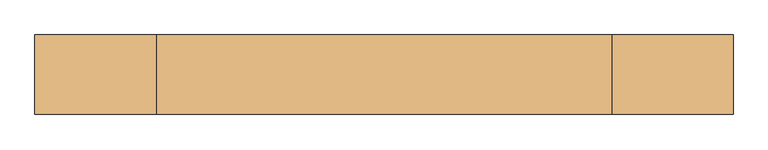
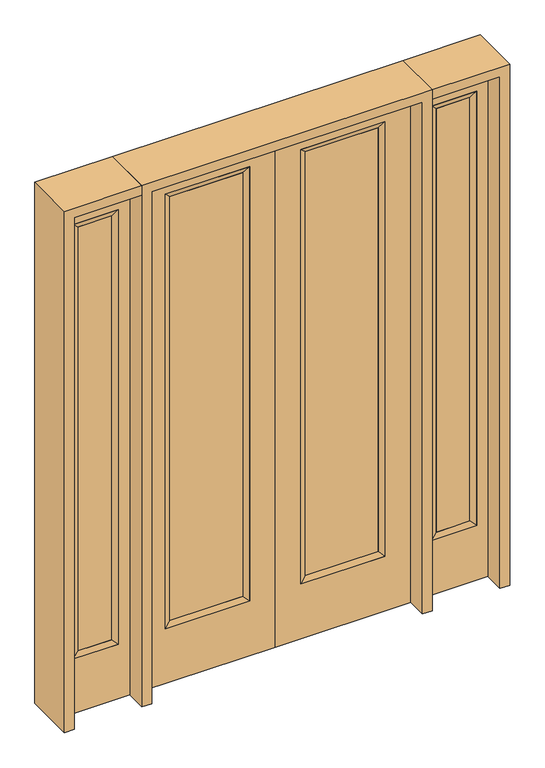
"""IFC4 building model written with IfcOpenShell, lengths in millimetres: door geometry."""

from ifc_helpers import new_model, si_unit, frame, origin, place, context, project, spatial, polyline, outline, extrude, faceted_brep, source, transform, mapped, element, save


def door_f72690af(model_context):
    return source(origin(), model_context, "Body", "SolidModel", [
        extrude(outline(polyline([(140.8176, -12.7039749), (140.8176, 14.2875), (468.7824, 14.2875), (468.7824, -12.7039749), (140.8176, -12.7039749)])), frame((0.0, 0.0, 285.75), z_axis=(0.0, 0.0, 1.0), x_axis=(1.0, 0.0, 0.0)), (0.0, 0.0, 1.0), 2019.3),
        faceted_brep([(140.8176, 14.2875, 2305.05), (140.8176, 14.2875, 285.75), (115.4176, 22.225, 260.35), (115.4176, 22.225, 2330.45), (115.4176, -22.225, 260.35), (115.4176, -22.225, 2330.45), (468.7824, 14.2875, 285.75), (494.1824, 22.225, 260.35), (140.8176, -12.7039749, 2305.05), (140.8176, -12.7039749, 285.75), (468.7824, -12.7039749, 285.75), (494.1824, -22.225, 260.35), (468.7824, 14.2875, 2305.05), (494.1824, 22.225, 2330.45), (468.7824, -12.7039749, 2305.05), (494.1824, -22.225, 2330.45)], [[[0, 1, 2, 3]], [[3, 2, 4, 5]], [[1, 6, 7, 2]], [[8, 9, 1, 0]], [[9, 10, 6, 1]], [[5, 4, 9, 8]], [[4, 11, 10, 9]], [[2, 7, 11, 4]], [[6, 12, 13, 7]], [[10, 14, 12, 6]], [[11, 15, 14, 10]], [[7, 13, 15, 11]], [[12, 0, 3, 13]], [[14, 8, 0, 12]], [[15, 5, 8, 14]], [[13, 3, 5, 15]]]),
        extrude(outline(polyline([(0.0, 609.6), (2438.4, 609.6), (2438.4, 0.0), (0.0, 0.0), (0.0, 609.6)]), holes=[polyline([(260.35, 494.1824), (260.35, 115.4176), (2330.45, 115.4176), (2330.45, 494.1824), (260.35, 494.1824)])]), frame((0.0, -22.225, 0.0), z_axis=(0.0, 1.0, 0.0), x_axis=(0.0, 0.0, 1.0)), (0.0, 0.0, 1.0), 44.45),
        extrude(outline(polyline([(-140.8176, -12.7039749), (-468.7824, -12.7039749), (-468.7824, 14.2875), (-140.8176, 14.2875), (-140.8176, -12.7039749)])), frame((0.0, 0.0, 285.75), z_axis=(0.0, 0.0, 1.0), x_axis=(1.0, 0.0, 0.0)), (0.0, 0.0, 1.0), 2019.3),
        faceted_brep([(-140.8176, 14.2875, 2305.05), (-115.4176, 22.225, 2330.45), (-115.4176, 22.225, 260.35), (-140.8176, 14.2875, 285.75), (-115.4176, -22.225, 2330.45), (-115.4176, -22.225, 260.35), (-494.1824, 22.225, 260.35), (-468.7824, 14.2875, 285.75), (-140.8176, -12.7039749, 2305.05), (-140.8176, -12.7039749, 285.75), (-468.7824, -12.7039749, 285.75), (-494.1824, -22.225, 260.35), (-494.1824, 22.225, 2330.45), (-468.7824, 14.2875, 2305.05), (-468.7824, -12.7039749, 2305.05), (-494.1824, -22.225, 2330.45)], [[[0, 1, 2, 3]], [[1, 4, 5, 2]], [[3, 2, 6, 7]], [[8, 0, 3, 9]], [[9, 3, 7, 10]], [[4, 8, 9, 5]], [[5, 9, 10, 11]], [[2, 5, 11, 6]], [[7, 6, 12, 13]], [[10, 7, 13, 14]], [[11, 10, 14, 15]], [[6, 11, 15, 12]], [[13, 12, 1, 0]], [[14, 13, 0, 8]], [[15, 14, 8, 4]], [[12, 15, 4, 1]]]),
        extrude(outline(polyline([(0.0, -609.6), (0.0, 0.0), (2438.4, 0.0), (2438.4, -609.6), (0.0, -609.6)]), holes=[polyline([(260.35, -494.1824), (2330.45, -494.1824), (2330.45, -115.4176), (260.35, -115.4176), (260.35, -494.1824)])]), frame((0.0, -22.225, 0.0), z_axis=(0.0, 1.0, 0.0), x_axis=(0.0, 0.0, 1.0)), (0.0, 0.0, 1.0), 44.45),
        faceted_brep([(704.85, 20.6375, 2330.45), (704.85, 20.6375, 260.35), (704.85, -20.6375, 260.35), (704.85, -20.6375, 2330.45), (730.25, -12.7, 285.75), (730.25, -12.7, 2305.05), (908.05, 20.6375, 260.35), (908.05, -20.6375, 260.35), (730.25, 12.7, 2305.05), (730.25, 12.7, 285.75), (882.65, 12.7, 285.75), (882.65, -12.7, 285.75), (908.05, 20.6375, 2330.45), (908.05, -20.6375, 2330.45), (882.65, 12.7, 2305.05), (882.65, -12.7, 2305.05)], [[[0, 1, 2, 3]], [[3, 2, 4, 5]], [[1, 6, 7, 2]], [[8, 9, 1, 0]], [[9, 10, 6, 1]], [[5, 4, 9, 8]], [[4, 11, 10, 9]], [[2, 7, 11, 4]], [[6, 12, 13, 7]], [[10, 14, 12, 6]], [[11, 15, 14, 10]], [[7, 13, 15, 11]], [[12, 0, 3, 13]], [[14, 8, 0, 12]], [[15, 5, 8, 14]], [[13, 3, 5, 15]]]),
        extrude(outline(polyline([(0.0, 958.85), (2438.4, 958.85), (2438.4, 654.05), (0.0, 654.05), (0.0, 958.85)]), holes=[polyline([(2330.45, 704.85), (2330.45, 908.05), (260.35, 908.05), (260.35, 704.85), (2330.45, 704.85)])]), frame((0.0, -20.6375, 0.0), z_axis=(0.0, 1.0, 0.0), x_axis=(0.0, 0.0, 1.0)), (0.0, 0.0, 1.0), 41.275),
        extrude(outline(polyline([(730.25, -12.7), (730.25, 12.7), (882.65, 12.7), (882.65, -12.7), (730.25, -12.7)])), frame((0.0, 0.0, 285.75), z_axis=(0.0, 0.0, 1.0), x_axis=(1.0, 0.0, 0.0)), (0.0, 0.0, 1.0), 2019.3),
        faceted_brep([(-704.85, 20.6375, 2330.45), (-704.85, -20.6375, 2330.45), (-704.85, -20.6375, 260.35), (-704.85, 20.6375, 260.35), (-730.25, -12.7, 2305.05), (-730.25, -12.7, 285.75), (-908.05, -20.6375, 260.35), (-908.05, 20.6375, 260.35), (-730.25, 12.7, 2305.05), (-730.25, 12.7, 285.75), (-882.65, 12.7, 285.75), (-882.65, -12.7, 285.75), (-908.05, -20.6375, 2330.45), (-908.05, 20.6375, 2330.45), (-882.65, 12.7, 2305.05), (-882.65, -12.7, 2305.05)], [[[0, 1, 2, 3]], [[1, 4, 5, 2]], [[3, 2, 6, 7]], [[8, 0, 3, 9]], [[9, 3, 7, 10]], [[4, 8, 9, 5]], [[5, 9, 10, 11]], [[2, 5, 11, 6]], [[7, 6, 12, 13]], [[10, 7, 13, 14]], [[11, 10, 14, 15]], [[6, 11, 15, 12]], [[13, 12, 1, 0]], [[14, 13, 0, 8]], [[15, 14, 8, 4]], [[12, 15, 4, 1]]]),
        extrude(outline(polyline([(0.0, -958.85), (0.0, -654.05), (2438.4, -654.05), (2438.4, -958.85), (0.0, -958.85)]), holes=[polyline([(2330.45, -704.85), (260.35, -704.85), (260.35, -908.05), (2330.45, -908.05), (2330.45, -704.85)])]), frame((0.0, -20.6375, 0.0), z_axis=(0.0, 1.0, 0.0), x_axis=(0.0, 0.0, 1.0)), (0.0, 0.0, 1.0), 41.275),
        extrude(outline(polyline([(-730.25, -12.7), (-882.65, -12.7), (-882.65, 12.7), (-730.25, 12.7), (-730.25, -12.7)])), frame((0.0, 0.0, 285.75), z_axis=(0.0, 0.0, 1.0), x_axis=(1.0, 0.0, 0.0)), (0.0, 0.0, 1.0), 2019.3),
        extrude(outline(polyline([(2438.4, -654.05), (2482.85, -654.05), (2482.85, -1003.3), (0.0, -1003.3), (0.0, -958.85), (2438.4, -958.85), (2438.4, -654.05)])), frame((0.0, -114.3, 0.0), z_axis=(0.0, 1.0, 0.0), x_axis=(0.0, 0.0, 1.0)), (0.0, 0.0, 1.0), 228.6),
        extrude(outline(polyline([(2482.85, -654.05), (0.0, -654.05), (0.0, -609.6), (2438.4, -609.6), (2438.4, 609.6), (0.0, 609.6), (0.0, 654.05), (2482.85, 654.05), (2482.85, -654.05)])), frame((0.0, -114.3, 0.0), z_axis=(0.0, 1.0, 0.0), x_axis=(0.0, 0.0, 1.0)), (0.0, 0.0, 1.0), 228.6),
        extrude(outline(polyline([(0.0, 958.85), (0.0, 1003.3), (2482.85, 1003.3), (2482.85, 654.05), (2438.4, 654.05), (2438.4, 958.85), (0.0, 958.85)])), frame((0.0, -114.3, 0.0), z_axis=(0.0, 1.0, 0.0), x_axis=(0.0, 0.0, 1.0)), (0.0, 0.0, 1.0), 228.6),
    ])


if __name__ == "__main__":
    model = new_model("IFC4")
    model_context = context("Model", 3, world=origin())
    ifc_project = project(units=[si_unit("LENGTHUNIT", "METRE", prefix="MILLI")], contexts=[model_context])
    site = spatial("IfcSite", under=ifc_project)
    building = spatial("IfcBuilding", under=site)
    placement = place(None, origin())
    door_shape = door_f72690af(model_context)
    element("IfcDoor", 1, at=placement, inside=building, context=model_context, shape_type="MappedRepresentation", body=[
        mapped(door_shape, transform((0.0, 0.0, 0.0), x_axis=(1.0, 0.0, 0.0), y_axis=(0.0, 1.0, 0.0), z_axis=(0.0, 0.0, 1.0))),
    ])
    save(model, "model.ifc")
